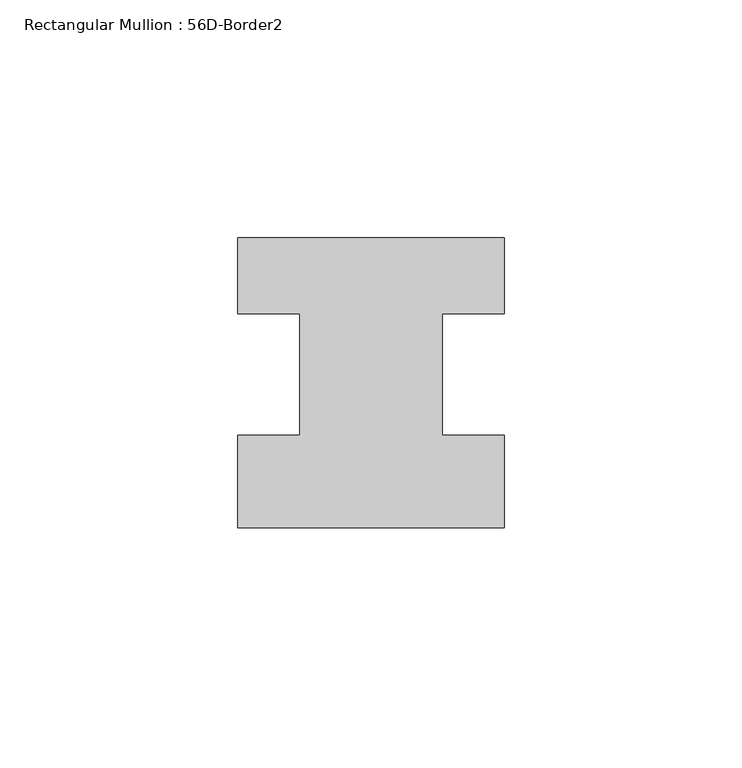
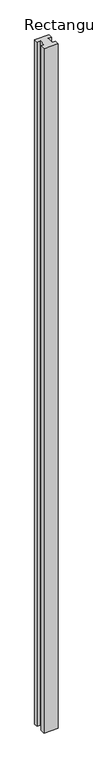
"""IFC4 building model written with IfcOpenShell, lengths in millimetres: member geometry, Rectangular Mullion : 56D-Border2."""

from ifc_helpers import new_model, si_unit, frame, origin, place, context, project, spatial, polyline, outline, extrude, source, transform, mapped, element, save


def rectangular_mullion_56d_border2_7b7d7e5d(model_context):
    return source(origin(), model_context, "Body", "SweptSolid", [
        extrude(outline(polyline([(-56.0, -20.0), (-56.0, -0.5), (-43.0, -0.5), (-43.0, 25.0), (-56.0, 25.0), (-56.0, 41.0), (0.0, 41.0), (0.0, 25.0), (-13.0, 25.0), (-13.0, -0.5), (0.0, -0.5), (0.0, -20.0), (-56.0, -20.0)])), frame((0.0, 0.0, -2800.0), z_axis=(0.0, 0.0, 1.0), x_axis=(1.0, 0.0, 0.0)), (0.0, 0.0, 1.0), 2800.0),
    ])


if __name__ == "__main__":
    model = new_model("IFC4")
    model_context = context("Model", 3, world=origin())
    ifc_project = project(units=[si_unit("LENGTHUNIT", "METRE", prefix="MILLI")], contexts=[model_context])
    site = spatial("IfcSite", under=ifc_project)
    building = spatial("IfcBuilding", under=site)
    placement = place(None, origin())
    rectangular_mullion_56d_border2_shape = rectangular_mullion_56d_border2_7b7d7e5d(model_context)
    element("IfcMember", 1, ObjectType="Rectangular Mullion : 56D-Border2", at=placement, inside=building, context=model_context, shape_type="MappedRepresentation", body=[
        mapped(rectangular_mullion_56d_border2_shape, transform((0.0, 0.0, 0.0), x_axis=(1.0, 0.0, 0.0), y_axis=(0.0, 1.0, 0.0), z_axis=(0.0, 0.0, 1.0))),
    ])
    save(model, "model.ifc")
